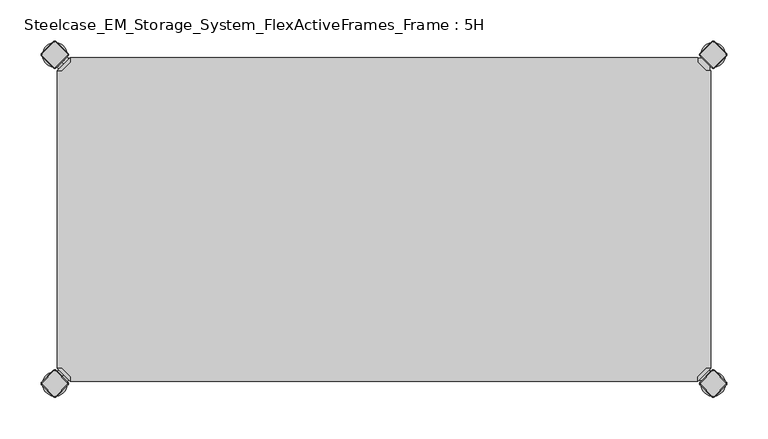
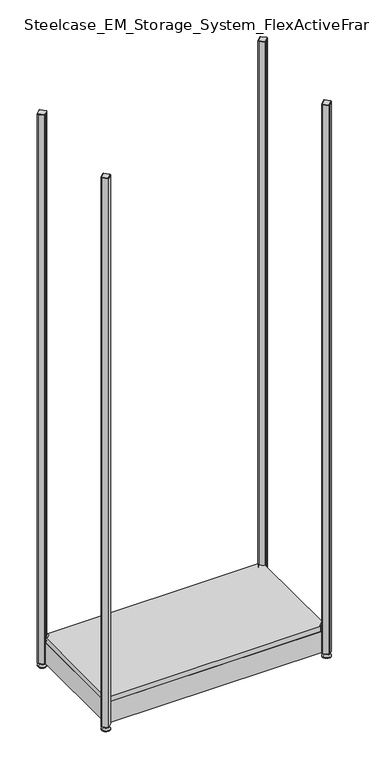
"""IFC4 building model written with IfcOpenShell, lengths in millimetres: furniture geometry, Steelcase_EM_Storage_System_FlexActiveFrames_Frame : 5H."""

from ifc_helpers import new_model, si_unit, point, frame, frame_2d, origin, place, context, project, spatial, polyline, circle_curve, trimmed, segment, composite_curve, outline, extrude, source, transform, mapped, element, save
from ifc_brep_helpers import plane_surface, cylinder_surface, revolved_surface, advanced_brep


def steelcase_em_storage_system_flexactiveframes_frame_5h_e9ac0f67(model_context):
    return source(origin(), model_context, "Body", "SolidModel", [
        advanced_brep(
        [(781.0796898, -397.0, 117.0), (797.0, -381.0796898, 117.0), (791.3431458, -381.0796898, 117.0), (781.0796898, -391.3431458, 117.0), (781.0796898, -397.0, 98.0), (781.0796898, -397.0, 97.0), (797.0, -381.0796898, 97.0), (797.0, -381.0796898, 98.0), (791.3431458, -381.0796898, 98.0), (781.0796898, -391.3431458, 98.0), (768.1906025, -352.2702923, 98.0), (752.2702923, -368.1906025, 98.0), (752.2702923, -368.1906025, 97.0), (768.1906025, -352.2702923, 97.0)],
        [
            (0, 1),
            (1, 2),
            (2, 3),
            (3, 0),
            (0, 4),
            (4, 5),
            (5, 6),
            (6, 7),
            (7, 1),
            (2, 8),
            (8, 9),
            (9, 3),
            (9, 4),
            (7, 8),
            (7, 10),
            (10, 11, circle_curve(frame((760.2304474, -360.2304474, 98.0), z_axis=(0.0, 0.0, 1.0), x_axis=(-1.0, 0.0, 0.0)), 11.2573593)),
            (11, 4),
            (5, 12),
            (12, 13, circle_curve(frame((760.2304474, -360.2304474, 97.0), z_axis=(0.0, 0.0, -1.0), x_axis=(-1.0, 0.0, 0.0)), 11.2573593)),
            (13, 6),
            (13, 10),
            (12, 11),
        ],
        [
            plane_surface(frame((838.8756299, -339.2040599, 117.0), z_axis=(0.0, 0.0, 1.0000000000000002), x_axis=(0.7071067811865511, 0.707106781186544, 0.0))),
            plane_surface(frame((781.0796898, -397.0, 117.0), z_axis=(0.707106781186544, -0.7071067811865511, 0.0), x_axis=(0.0, 0.0, -1.0))),
            plane_surface(frame((791.3431458, -381.0796898, 117.0), z_axis=(-0.7071067811865527, 0.7071067811865424, 0.0), x_axis=(0.0, 0.0, -1.0))),
            plane_surface(frame((781.0796898, -391.3431458, 117.0), z_axis=(-1.0, 0.0, 0.0), x_axis=(0.0, 0.0, -1.0))),
            plane_surface(frame((797.0, -381.0796898, 117.0), z_axis=(0.0, 1.0, 0.0), x_axis=(0.0, 0.0, -1.0))),
            plane_surface(frame((797.0, -381.0796898, 98.0), z_axis=(0.0, 0.0, 1.0), x_axis=(0.7071067811865439, 0.7071067811865511, 0.0))),
            plane_surface(frame((797.0, -381.0796898, 97.0), z_axis=(0.0, 0.0, -1.0), x_axis=(-0.7071067811865439, -0.7071067811865511, 0.0))),
            plane_surface(frame((797.0, -381.0796898, 98.0), z_axis=(0.7071067811865446, 0.7071067811865506, 0.0), x_axis=(0.0, 0.0, -1.0))),
            cylinder_surface(frame((760.2304474, -360.2304474, 97.0), z_axis=(0.0, 0.0, 1.0), x_axis=(-1.0, 0.0, 0.0)), 11.2573593),
            plane_surface(frame((752.2702923, -368.1906025, 98.0), z_axis=(-0.7071067811865435, -0.7071067811865517, 0.0), x_axis=(0.0, 0.0, -1.0))),
        ],
        [
            (0, [[1, 2, 3, 4]]),
            (1, [[-1, 5, 6, 7, 8, 9]]),
            (2, [[-3, 10, 11, 12]]),
            (3, [[-4, -12, 13, -5]]),
            (4, [[-2, -9, 14, -10]]),
            (5, [[15, 16, 17, -13, -11, -14]]),
            (6, [[18, 19, 20, -7]]),
            (7, [[-15, -8, -20, 21]]),
            (8, [[-16, -21, -19, 22]]),
            (9, [[-17, -22, -18, -6]]),
        ],
    ),
        advanced_brep(
        [(10.9601551, -389.0398449, 98.5), (10.9601551, -389.0398449, 107.0), (10.9601551, -389.0398449, 115.5), (8.8388348, -391.1611652, 98.5), (8.8388348, -391.1611652, 115.5), (8.8388348, -391.1611652, 107.0)],
        [
            (0, 1),
            (1, 2),
            (2, 0, circle_curve(frame((10.9601551, -389.0398449, 107.0), z_axis=(0.7071067811865509, 0.7071067811865441, 0.0), x_axis=(0.0, 0.0, 1.0)), 8.5)),
            (0, 2, circle_curve(frame((10.9601551, -389.0398449, 107.0), z_axis=(0.7071067811865509, 0.7071067811865441, 0.0), x_axis=(0.0, 0.0, 1.0)), 8.5)),
            (3, 0),
            (2, 4),
            (4, 3, circle_curve(frame((8.8388348, -391.1611652, 107.0), z_axis=(0.7071067811865509, 0.7071067811865441, 0.0), x_axis=(0.0, 0.0, 1.0)), 8.5)),
            (3, 4, circle_curve(frame((8.8388348, -391.1611652, 107.0), z_axis=(0.7071067811865509, 0.7071067811865441, 0.0), x_axis=(0.0, 0.0, 1.0)), 8.5)),
            (5, 3),
            (4, 5),
        ],
        [
            plane_surface(frame((10.9601551, -389.0398449, 107.0), z_axis=(0.7071067811865506, 0.7071067811865446, 0.0), x_axis=(0.0, 0.0, 1.0))),
            cylinder_surface(frame((8.8388348, -391.1611652, 107.0), z_axis=(-0.7071067811865509, -0.7071067811865441, 0.0), x_axis=(0.0, 0.0, 1.0)), 8.5),
            plane_surface(frame((8.8388348, -391.1611652, 107.0), z_axis=(-0.7071067811865506, -0.7071067811865446, 0.0), x_axis=(0.0, 0.0, 1.0))),
        ],
        [
            (0, [[1, 2, 3]]),
            (0, [[-2, -1, 4]]),
            (1, [[5, -3, 6, 7]]),
            (1, [[-6, -4, -5, 8]]),
            (2, [[9, -7, 10]]),
            (2, [[-10, -8, -9]]),
        ],
    ),
        advanced_brep(
        [(18.9203102, -397.0, 117.0), (18.9203102, -391.3431458, 117.0), (8.6568542, -381.0796898, 117.0), (3.0, -381.0796898, 117.0), (3.0, -381.0796898, 98.0), (3.0, -381.0796898, 97.0), (18.9203102, -397.0, 97.0), (18.9203102, -397.0, 98.0), (18.9203102, -391.3431458, 98.0), (8.6568542, -381.0796898, 98.0), (47.7297077, -368.1906025, 98.0), (31.8093975, -352.2702923, 98.0), (31.8093975, -352.2702923, 97.0), (47.7297077, -368.1906025, 97.0)],
        [
            (0, 1),
            (1, 2),
            (2, 3),
            (3, 0),
            (3, 4),
            (4, 5),
            (5, 6),
            (6, 7),
            (7, 0),
            (1, 8),
            (8, 9),
            (9, 2),
            (7, 8),
            (9, 4),
            (7, 10),
            (10, 11, circle_curve(frame((39.7695526, -360.2304474, 98.0), z_axis=(0.0, 0.0, 1.0), x_axis=(1.0, 0.0, 0.0)), 11.2573593)),
            (11, 4),
            (5, 12),
            (12, 13, circle_curve(frame((39.7695526, -360.2304474, 97.0), z_axis=(0.0, 0.0, -1.0), x_axis=(1.0, 0.0, 0.0)), 11.2573593)),
            (13, 6),
            (11, 12),
            (10, 13),
        ],
        [
            plane_surface(frame((-38.8756299, -339.2040599, 117.0), z_axis=(0.0, 0.0, 1.0000000000000002), x_axis=(-0.7071067811865511, 0.707106781186544, 0.0))),
            plane_surface(frame((18.9203102, -397.0, 117.0), z_axis=(-0.707106781186544, -0.7071067811865511, 0.0), x_axis=(0.0, 0.0, -1.0))),
            plane_surface(frame((8.6568542, -381.0796898, 117.0), z_axis=(0.7071067811865527, 0.7071067811865424, 0.0), x_axis=(0.0, 0.0, -1.0))),
            plane_surface(frame((18.9203102, -391.3431458, 117.0), z_axis=(1.0, 0.0, 0.0), x_axis=(0.0, 0.0, -1.0))),
            plane_surface(frame((3.0, -381.0796898, 117.0), z_axis=(0.0, 1.0, 0.0), x_axis=(0.0, 0.0, -1.0))),
            plane_surface(frame((3.0, -381.0796898, 98.0), z_axis=(0.0, 0.0, 1.0), x_axis=(-0.7071067811865439, 0.7071067811865511, 0.0))),
            plane_surface(frame((3.0, -381.0796898, 97.0), z_axis=(0.0, 0.0, -1.0), x_axis=(0.7071067811865439, -0.7071067811865511, 0.0))),
            plane_surface(frame((3.0, -381.0796898, 98.0), z_axis=(-0.7071067811865446, 0.7071067811865506, 0.0), x_axis=(0.0, 0.0, -1.0))),
            cylinder_surface(frame((39.7695526, -360.2304474, 97.0), z_axis=(0.0, 0.0, 1.0), x_axis=(1.0, 0.0, 0.0)), 11.2573593),
            plane_surface(frame((47.7297077, -368.1906025, 98.0), z_axis=(0.7071067811865435, -0.7071067811865517, 0.0), x_axis=(0.0, 0.0, -1.0))),
        ],
        [
            (0, [[1, 2, 3, 4]]),
            (1, [[5, 6, 7, 8, 9, -4]]),
            (2, [[10, 11, 12, -2]]),
            (3, [[-9, 13, -10, -1]]),
            (4, [[-12, 14, -5, -3]]),
            (5, [[-14, -11, -13, 15, 16, 17]]),
            (6, [[-7, 18, 19, 20]]),
            (7, [[21, -18, -6, -17]]),
            (8, [[22, -19, -21, -16]]),
            (9, [[-8, -20, -22, -15]]),
        ],
    ),
        advanced_brep(
        [(10.9601551, -10.9601551, 98.5), (10.9601551, -10.9601551, 115.5), (10.9601551, -10.9601551, 107.0), (8.8388348, -8.8388348, 98.5), (8.8388348, -8.8388348, 115.5), (8.8388348, -8.8388348, 107.0)],
        [
            (0, 1, circle_curve(frame((10.9601551, -10.9601551, 107.0), z_axis=(0.7071067811865464, -0.7071067811865487, 0.0), x_axis=(0.0, 0.0, 1.0)), 8.5)),
            (1, 2),
            (2, 0),
            (1, 0, circle_curve(frame((10.9601551, -10.9601551, 107.0), z_axis=(0.7071067811865464, -0.7071067811865487, 0.0), x_axis=(0.0, 0.0, 1.0)), 8.5)),
            (3, 4, circle_curve(frame((8.8388348, -8.8388348, 107.0), z_axis=(0.7071067811865464, -0.7071067811865487, 0.0), x_axis=(0.0, 0.0, 1.0)), 8.5)),
            (4, 1),
            (0, 3),
            (4, 3, circle_curve(frame((8.8388348, -8.8388348, 107.0), z_axis=(0.7071067811865464, -0.7071067811865487, 0.0), x_axis=(0.0, 0.0, 1.0)), 8.5)),
            (5, 4),
            (3, 5),
        ],
        [
            plane_surface(frame((10.9601551, -10.9601551, 107.0), z_axis=(0.707106781186546, -0.7071067811865491, 0.0), x_axis=(0.0, 0.0, 1.0))),
            cylinder_surface(frame((8.8388348, -8.8388348, 107.0), z_axis=(-0.7071067811865464, 0.7071067811865487, 0.0), x_axis=(0.0, 0.0, 1.0)), 8.5),
            plane_surface(frame((8.8388348, -8.8388348, 107.0), z_axis=(-0.707106781186546, 0.7071067811865491, 0.0), x_axis=(0.0, 0.0, 1.0))),
        ],
        [
            (0, [[1, 2, 3]]),
            (0, [[4, -3, -2]]),
            (1, [[5, 6, -1, 7]]),
            (1, [[8, -7, -4, -6]]),
            (2, [[9, -5, 10]]),
            (2, [[-10, -8, -9]]),
        ],
    ),
        advanced_brep(
        [(18.9203102, -3.0, 117.0), (3.0, -18.9203102, 117.0), (8.6568542, -18.9203102, 117.0), (18.9203102, -8.6568542, 117.0), (18.9203102, -3.0, 98.0), (18.9203102, -3.0, 97.0), (3.0, -18.9203102, 97.0), (3.0, -18.9203102, 98.0), (8.6568542, -18.9203102, 98.0), (18.9203102, -8.6568542, 98.0), (31.8093975, -47.7297077, 98.0), (47.7297077, -31.8093975, 98.0), (47.7297077, -31.8093975, 97.0), (31.8093975, -47.7297077, 97.0)],
        [
            (0, 1),
            (1, 2),
            (2, 3),
            (3, 0),
            (0, 4),
            (4, 5),
            (5, 6),
            (6, 7),
            (7, 1),
            (2, 8),
            (8, 9),
            (9, 3),
            (9, 4),
            (7, 8),
            (7, 10),
            (10, 11, circle_curve(frame((39.7695526, -39.7695526, 98.0), z_axis=(0.0, 0.0, 1.0), x_axis=(1.0, 0.0, 0.0)), 11.2573593)),
            (11, 4),
            (5, 12),
            (12, 13, circle_curve(frame((39.7695526, -39.7695526, 97.0), z_axis=(0.0, 0.0, -1.0), x_axis=(1.0, 0.0, 0.0)), 11.2573593)),
            (13, 6),
            (13, 10),
            (12, 11),
        ],
        [
            plane_surface(frame((-38.8756299, -60.7959401, 117.0), z_axis=(0.0, 0.0, 1.0000000000000002), x_axis=(-0.7071067811865557, -0.7071067811865395, 0.0))),
            plane_surface(frame((18.9203102, -3.0, 117.0), z_axis=(-0.7071067811865395, 0.7071067811865557, 0.0), x_axis=(0.0, 0.0, -1.0))),
            plane_surface(frame((8.6568542, -18.9203102, 117.0), z_axis=(0.7071067811865481, -0.7071067811865469, 0.0), x_axis=(0.0, 0.0, -1.0))),
            plane_surface(frame((18.9203102, -8.6568542, 117.0), z_axis=(1.0, 0.0, 0.0), x_axis=(0.0, 0.0, -1.0))),
            plane_surface(frame((3.0, -18.9203102, 117.0), z_axis=(0.0, -1.0, 0.0), x_axis=(0.0, 0.0, -1.0))),
            plane_surface(frame((3.0, -18.9203102, 98.0), z_axis=(0.0, 0.0, 1.0), x_axis=(-0.7071067811865485, -0.7071067811865466, 0.0))),
            plane_surface(frame((3.0, -18.9203102, 97.0), z_axis=(0.0, 0.0, -1.0), x_axis=(0.7071067811865485, 0.7071067811865466, 0.0))),
            plane_surface(frame((3.0, -18.9203102, 98.0), z_axis=(-0.7071067811865491, -0.707106781186546, 0.0), x_axis=(0.0, 0.0, -1.0))),
            cylinder_surface(frame((39.7695526, -39.7695526, 97.0), z_axis=(0.0, 0.0, 1.0), x_axis=(1.0, 0.0, 0.0)), 11.2573593),
            plane_surface(frame((47.7297077, -31.8093975, 98.0), z_axis=(0.707106781186548, 0.7071067811865471, 0.0), x_axis=(0.0, 0.0, -1.0))),
        ],
        [
            (0, [[1, 2, 3, 4]]),
            (1, [[-1, 5, 6, 7, 8, 9]]),
            (2, [[-3, 10, 11, 12]]),
            (3, [[-4, -12, 13, -5]]),
            (4, [[-2, -9, 14, -10]]),
            (5, [[15, 16, 17, -13, -11, -14]]),
            (6, [[18, 19, 20, -7]]),
            (7, [[-15, -8, -20, 21]]),
            (8, [[-16, -21, -19, 22]]),
            (9, [[-17, -22, -18, -6]]),
        ],
    ),
        extrude(outline(polyline([(781.0796898, -3.0), (781.0796898, -8.6568542), (791.3431458, -18.9203102), (797.0, -18.9203102), (797.0, -381.0796898), (791.3431458, -381.0796898), (781.0796898, -391.3431458), (781.0796898, -397.0), (18.9203102, -397.0), (18.9203102, -391.3431458), (8.6568542, -381.0796898), (3.0, -381.0796898), (3.0, -18.9203102), (8.6568542, -18.9203102), (18.9203102, -8.6568542), (18.9203102, -3.0), (781.0796898, -3.0)])), frame((0.0, 0.0, 98.0), z_axis=(0.0, 0.0, 1.0), x_axis=(1.0, 0.0, 0.0)), (0.0, 0.0, 1.0), 19.0),
        advanced_brep(
        [(785.0, -400.0, 0.0), (815.0, -400.0, 0.0), (800.0, -400.0, 0.0), (785.0, -400.0, 2.0), (815.0, -400.0, 2.0), (792.0, -400.0, 9.0), (808.0, -400.0, 9.0), (796.0, -400.0, 9.0), (804.0, -400.0, 9.0), (796.0, -400.0, 15.0), (804.0, -400.0, 15.0), (800.0, -400.0, 15.0)],
        [
            (0, 1, circle_curve(frame((800.0, -400.0, 0.0), z_axis=(0.0, 0.0, -1.0), x_axis=(1.0, 0.0, 0.0)), 15.0)),
            (1, 2),
            (2, 0),
            (1, 0, circle_curve(frame((800.0, -400.0, 0.0), z_axis=(0.0, 0.0, -1.0), x_axis=(1.0, 0.0, 0.0)), 15.0)),
            (3, 4, circle_curve(frame((800.0, -400.0, 2.0), z_axis=(0.0, 0.0, -1.0), x_axis=(1.0, 0.0, 0.0)), 15.0)),
            (4, 1),
            (0, 3),
            (4, 3, circle_curve(frame((800.0, -400.0, 2.0), z_axis=(0.0, 0.0, -1.0), x_axis=(1.0, 0.0, 0.0)), 15.0)),
            (5, 6, circle_curve(frame((800.0, -400.0, 9.0), z_axis=(0.0, 0.0, -1.0), x_axis=(1.0, 0.0, 0.0)), 8.0)),
            (6, 4),
            (3, 5),
            (6, 5, circle_curve(frame((800.0, -400.0, 9.0), z_axis=(0.0, 0.0, -1.0), x_axis=(1.0, 0.0, 0.0)), 8.0)),
            (7, 8, circle_curve(frame((800.0, -400.0, 9.0), z_axis=(0.0, 0.0, -1.0), x_axis=(1.0, 0.0, 0.0)), 4.0)),
            (8, 6),
            (5, 7),
            (8, 7, circle_curve(frame((800.0, -400.0, 9.0), z_axis=(0.0, 0.0, -1.0), x_axis=(1.0, 0.0, 0.0)), 4.0)),
            (9, 10, circle_curve(frame((800.0, -400.0, 15.0), z_axis=(0.0, 0.0, -1.0), x_axis=(1.0, 0.0, 0.0)), 4.0)),
            (10, 8),
            (7, 9),
            (10, 9, circle_curve(frame((800.0, -400.0, 15.0), z_axis=(0.0, 0.0, -1.0), x_axis=(1.0, 0.0, 0.0)), 4.0)),
            (11, 10),
            (9, 11),
        ],
        [
            plane_surface(frame((800.0, -400.0, 0.0), z_axis=(0.0, 0.0, -1.0), x_axis=(1.0, 0.0, 0.0))),
            cylinder_surface(frame((800.0, -400.0, 18.6083303), z_axis=(0.0, 0.0, 1.0), x_axis=(1.0, 0.0, 0.0)), 15.0),
            revolved_surface(polyline([(815.0, -400.0, 2.0), (808.0, -400.0, 9.0)]), (800.0, -400.0, 18.6083303), (0.0, 0.0, 1.0)),
            plane_surface(frame((800.0, -400.0, 9.0), z_axis=(0.0, 0.0, 1.0), x_axis=(1.0, 0.0, 0.0))),
            cylinder_surface(frame((800.0, -400.0, 18.6083303), z_axis=(0.0, 0.0, 1.0), x_axis=(1.0, 0.0, 0.0)), 4.0),
            plane_surface(frame((800.0, -400.0, 15.0), z_axis=(0.0, 0.0, 1.0), x_axis=(1.0, 0.0, 0.0))),
        ],
        [
            (0, [[1, 2, 3]]),
            (0, [[4, -3, -2]]),
            (1, [[5, 6, -1, 7]]),
            (1, [[8, -7, -4, -6]]),
            (2, [[9, 10, -5, 11]]),
            (2, [[12, -11, -8, -10]]),
            (3, [[13, 14, -9, 15]]),
            (3, [[16, -15, -12, -14]]),
            (4, [[17, 18, -13, 19]]),
            (4, [[20, -19, -16, -18]]),
            (5, [[21, -17, 22]]),
            (5, [[-22, -20, -21]]),
        ],
    ),
        advanced_brep(
        [(798.7979185, -384.6557828, 2117.0), (784.6557828, -398.7979185, 2117.0), (784.6557828, -401.2020815, 2117.0), (798.7979185, -415.3442172, 2117.0), (801.2020815, -415.3442172, 2117.0), (815.3442172, -401.2020815, 2117.0), (815.3442172, -398.7979185, 2117.0), (801.2020815, -384.6557828, 2117.0), (798.232233, -384.0900974, 2115.0), (801.767767, -384.0900974, 2115.0), (815.9099026, -398.232233, 2115.0), (815.9099026, -401.767767, 2115.0), (801.767767, -415.9099026, 2115.0), (798.232233, -415.9099026, 2115.0), (784.0900974, -401.767767, 2115.0), (784.0900974, -398.232233, 2115.0)],
        [
            (0, 1),
            (1, 2, circle_curve(frame((785.8578644, -400.0, 2117.0), z_axis=(0.0, 0.0, 1.0), x_axis=(-0.7071067811865537, 0.7071067811865414, 0.0)), 1.7)),
            (2, 3),
            (3, 4, circle_curve(frame((800.0, -414.1421356, 2117.0), z_axis=(0.0, 0.0, 1.0), x_axis=(-0.7071067811865491, -0.707106781186546, 0.0)), 1.7)),
            (4, 5),
            (5, 6, circle_curve(frame((814.1421356, -400.0, 2117.0), z_axis=(0.0, 0.0, 1.0), x_axis=(0.707106781186539, -0.7071067811865559, 0.0)), 1.7)),
            (6, 7),
            (7, 0, circle_curve(frame((800.0, -385.8578644, 2117.0), z_axis=(0.0, 0.0, 1.0), x_axis=(0.7071067811865458, 0.7071067811865492, 0.0)), 1.7)),
            (8, 9, circle_curve(frame((800.0, -385.8578644, 2115.0), z_axis=(0.0, 0.0, -1.0), x_axis=(0.7071067811865458, 0.7071067811865492, 0.0)), 2.5)),
            (9, 10),
            (10, 11, circle_curve(frame((814.1421356, -400.0, 2115.0), z_axis=(0.0, 0.0, -1.0), x_axis=(0.707106781186539, -0.7071067811865559, 0.0)), 2.5)),
            (11, 12),
            (12, 13, circle_curve(frame((800.0, -414.1421356, 2115.0), z_axis=(0.0, 0.0, -1.0), x_axis=(-0.7071067811865491, -0.707106781186546, 0.0)), 2.5)),
            (13, 14),
            (14, 15, circle_curve(frame((785.8578644, -400.0, 2115.0), z_axis=(0.0, 0.0, -1.0), x_axis=(-0.7071067811865537, 0.7071067811865414, 0.0)), 2.5)),
            (15, 8),
            (15, 1),
            (0, 8),
            (14, 2),
            (13, 3),
            (12, 4),
            (11, 5),
            (10, 6),
            (9, 7),
        ],
        [
            plane_surface(frame((800.0, -400.0, 2117.0), z_axis=(0.0, 0.0, 1.0), x_axis=(-0.7071067811865486, 0.7071067811865466, 0.0))),
            plane_surface(frame((800.0, -400.0, 2115.0), z_axis=(0.0, 0.0, -1.0), x_axis=(-0.7071067811865486, 0.7071067811865466, 0.0))),
            plane_surface(frame((791.1611652, -391.1611652, 2115.0), z_axis=(-0.6565321642986406, 0.656532164298628, 0.3713906763540281), x_axis=(-0.7071067811865408, -0.7071067811865543, 0.0))),
            revolved_surface(polyline([(784.65578284, -398.79791844, 2117.0), (784.0900974, -398.232233, 2115.0)]), (785.8578644, -400.0, 2121.25), (0.0, 0.0, -1.0)),
            plane_surface(frame((791.1611652, -408.8388348, 2115.0), z_axis=(-0.6565321642986325, -0.6565321642986414, 0.3713906763540188), x_axis=(0.7071067811865523, -0.7071067811865428, 0.0))),
            revolved_surface(polyline([(798.79791844, -415.34421716, 2117.0), (798.232233, -415.9099026, 2115.0)]), (800.0, -414.1421356, 2121.25), (0.0, 0.0, -1.0)),
            plane_surface(frame((808.8388348, -408.8388348, 2115.0), z_axis=(0.6565321642986457, -0.6565321642986508, 0.3713906763539787), x_axis=(0.7071067811865541, 0.707106781186541, 0.0))),
            revolved_surface(polyline([(815.34421716, -401.20208156, 2117.0), (815.9099026, -401.767767, 2115.0)]), (814.1421356, -400.0, 2121.25), (0.0, 0.0, -1.0)),
            plane_surface(frame((808.8388348, -391.1611652, 2115.0), z_axis=(0.656532164298657, 0.6565321642986371, 0.37139067635398293), x_axis=(-0.7071067811865407, 0.7071067811865545, 0.0))),
            revolved_surface(polyline([(801.20208156, -384.65578284, 2117.0), (801.767767, -384.0900974, 2115.0)]), (800.0, -385.8578644, 2121.25), (0.0, 0.0, -1.0)),
        ],
        [
            (0, [[1, 2, 3, 4, 5, 6, 7, 8]]),
            (1, [[9, 10, 11, 12, 13, 14, 15, 16]]),
            (2, [[-16, 17, -1, 18]]),
            (3, [[-15, 19, -2, -17]]),
            (4, [[-14, 20, -3, -19]]),
            (5, [[-13, 21, -4, -20]]),
            (6, [[-12, 22, -5, -21]]),
            (7, [[-11, 23, -6, -22]]),
            (8, [[-10, 24, -7, -23]]),
            (9, [[-9, -18, -8, -24]]),
        ],
    ),
        extrude(outline(composite_curve([segment(trimmed(circle_curve(frame_2d((814.1421356, -400.0)), 2.5), [point((815.9099026, -398.232233))], [point((815.9099026, -401.767767))], False, "CARTESIAN"), True, "CONTINUOUS"), segment(polyline([(815.9099026, -401.767767), (801.767767, -415.9099026)]), True, "CONTINUOUS"), segment(trimmed(circle_curve(frame_2d((800.0, -414.1421356)), 2.5), [point((801.767767, -415.9099026))], [point((798.232233, -415.9099026))], False, "CARTESIAN"), True, "CONTINUOUS"), segment(polyline([(798.232233, -415.9099026), (784.0900974, -401.767767)]), True, "CONTINUOUS"), segment(trimmed(circle_curve(frame_2d((785.8578644, -400.0)), 2.5), [point((784.0900974, -401.767767))], [point((784.0900974, -398.232233))], False, "CARTESIAN"), True, "CONTINUOUS"), segment(polyline([(784.0900974, -398.232233), (798.232233, -384.0900974)]), True, "CONTINUOUS"), segment(trimmed(circle_curve(frame_2d((800.0, -385.8578644)), 2.5), [point((798.232233, -384.0900974))], [point((801.767767, -384.0900974))], False, "CARTESIAN"), True, "CONTINUOUS"), segment(polyline([(801.767767, -384.0900974), (815.9099026, -398.232233)]), True, "CONTINUOUS")], self_intersect=False)), frame((0.0, 0.0, 15.0), z_axis=(0.0, 0.0, 1.0), x_axis=(1.0, 0.0, 0.0)), (0.0, 0.0, 1.0), 2100.0),
        advanced_brep(
        [(785.0, 0.0, 0.0), (815.0, 0.0, 0.0), (800.0, 0.0, 0.0), (785.0, 0.0, 2.0), (815.0, 0.0, 2.0), (792.0, 0.0, 9.0), (808.0, 0.0, 9.0), (796.0, 0.0, 9.0), (804.0, 0.0, 9.0), (796.0, 0.0, 15.0), (804.0, 0.0, 15.0), (800.0, 0.0, 15.0)],
        [
            (0, 1, circle_curve(frame((800.0, 0.0, 0.0), z_axis=(0.0, 0.0, -1.0), x_axis=(1.0, 0.0, 0.0)), 15.0)),
            (1, 2),
            (2, 0),
            (1, 0, circle_curve(frame((800.0, 0.0, 0.0), z_axis=(0.0, 0.0, -1.0), x_axis=(1.0, 0.0, 0.0)), 15.0)),
            (3, 4, circle_curve(frame((800.0, 0.0, 2.0), z_axis=(0.0, 0.0, -1.0), x_axis=(1.0, 0.0, 0.0)), 15.0)),
            (4, 1),
            (0, 3),
            (4, 3, circle_curve(frame((800.0, 0.0, 2.0), z_axis=(0.0, 0.0, -1.0), x_axis=(1.0, 0.0, 0.0)), 15.0)),
            (5, 6, circle_curve(frame((800.0, 0.0, 9.0), z_axis=(0.0, 0.0, -1.0), x_axis=(1.0, 0.0, 0.0)), 8.0)),
            (6, 4),
            (3, 5),
            (6, 5, circle_curve(frame((800.0, 0.0, 9.0), z_axis=(0.0, 0.0, -1.0), x_axis=(1.0, 0.0, 0.0)), 8.0)),
            (7, 8, circle_curve(frame((800.0, 0.0, 9.0), z_axis=(0.0, 0.0, -1.0), x_axis=(1.0, 0.0, 0.0)), 4.0)),
            (8, 6),
            (5, 7),
            (8, 7, circle_curve(frame((800.0, 0.0, 9.0), z_axis=(0.0, 0.0, -1.0), x_axis=(1.0, 0.0, 0.0)), 4.0)),
            (9, 10, circle_curve(frame((800.0, 0.0, 15.0), z_axis=(0.0, 0.0, -1.0), x_axis=(1.0, 0.0, 0.0)), 4.0)),
            (10, 8),
            (7, 9),
            (10, 9, circle_curve(frame((800.0, 0.0, 15.0), z_axis=(0.0, 0.0, -1.0), x_axis=(1.0, 0.0, 0.0)), 4.0)),
            (11, 10),
            (9, 11),
        ],
        [
            plane_surface(frame((800.0, 0.0, 0.0), z_axis=(0.0, 0.0, -1.0), x_axis=(1.0, 0.0, 0.0))),
            cylinder_surface(frame((800.0, 0.0, 18.6083303), z_axis=(0.0, 0.0, 1.0), x_axis=(1.0, 0.0, 0.0)), 15.0),
            revolved_surface(polyline([(815.0, 0.0, 2.0), (808.0, 0.0, 9.0)]), (800.0, 0.0, 18.6083303), (0.0, 0.0, 1.0)),
            plane_surface(frame((800.0, 0.0, 9.0), z_axis=(0.0, 0.0, 1.0), x_axis=(1.0, 0.0, 0.0))),
            cylinder_surface(frame((800.0, 0.0, 18.6083303), z_axis=(0.0, 0.0, 1.0), x_axis=(1.0, 0.0, 0.0)), 4.0),
            plane_surface(frame((800.0, 0.0, 15.0), z_axis=(0.0, 0.0, 1.0), x_axis=(1.0, 0.0, 0.0))),
        ],
        [
            (0, [[1, 2, 3]]),
            (0, [[4, -3, -2]]),
            (1, [[5, 6, -1, 7]]),
            (1, [[8, -7, -4, -6]]),
            (2, [[9, 10, -5, 11]]),
            (2, [[12, -11, -8, -10]]),
            (3, [[13, 14, -9, 15]]),
            (3, [[16, -15, -12, -14]]),
            (4, [[17, 18, -13, 19]]),
            (4, [[20, -19, -16, -18]]),
            (5, [[21, -17, 22]]),
            (5, [[-22, -20, -21]]),
        ],
    ),
        advanced_brep(
        [(798.7979185, 15.3442172, 2117.0), (784.6557828, 1.2020815, 2117.0), (784.6557828, -1.2020815, 2117.0), (798.7979185, -15.3442172, 2117.0), (801.2020815, -15.3442172, 2117.0), (815.3442172, -1.2020815, 2117.0), (815.3442172, 1.2020815, 2117.0), (801.2020815, 15.3442172, 2117.0), (798.232233, 15.9099026, 2115.0), (801.767767, 15.9099026, 2115.0), (815.9099026, 1.767767, 2115.0), (815.9099026, -1.767767, 2115.0), (801.767767, -15.9099026, 2115.0), (798.232233, -15.9099026, 2115.0), (784.0900974, -1.767767, 2115.0), (784.0900974, 1.767767, 2115.0)],
        [
            (0, 1),
            (1, 2, circle_curve(frame((785.8578644, 0.0, 2117.0), z_axis=(0.0, 0.0, 1.0), x_axis=(-0.7071067811865537, 0.7071067811865414, 0.0)), 1.7)),
            (2, 3),
            (3, 4, circle_curve(frame((800.0, -14.1421356, 2117.0), z_axis=(0.0, 0.0, 1.0), x_axis=(-0.7071067811865491, -0.707106781186546, 0.0)), 1.7)),
            (4, 5),
            (5, 6, circle_curve(frame((814.1421356, 0.0, 2117.0), z_axis=(0.0, 0.0, 1.0), x_axis=(0.707106781186539, -0.7071067811865559, 0.0)), 1.7)),
            (6, 7),
            (7, 0, circle_curve(frame((800.0, 14.1421356, 2117.0), z_axis=(0.0, 0.0, 1.0), x_axis=(0.7071067811865458, 0.7071067811865492, 0.0)), 1.7)),
            (8, 9, circle_curve(frame((800.0, 14.1421356, 2115.0), z_axis=(0.0, 0.0, -1.0), x_axis=(0.7071067811865458, 0.7071067811865492, 0.0)), 2.5)),
            (9, 10),
            (10, 11, circle_curve(frame((814.1421356, 0.0, 2115.0), z_axis=(0.0, 0.0, -1.0), x_axis=(0.707106781186539, -0.7071067811865559, 0.0)), 2.5)),
            (11, 12),
            (12, 13, circle_curve(frame((800.0, -14.1421356, 2115.0), z_axis=(0.0, 0.0, -1.0), x_axis=(-0.7071067811865491, -0.707106781186546, 0.0)), 2.5)),
            (13, 14),
            (14, 15, circle_curve(frame((785.8578644, 0.0, 2115.0), z_axis=(0.0, 0.0, -1.0), x_axis=(-0.7071067811865537, 0.7071067811865414, 0.0)), 2.5)),
            (15, 8),
            (15, 1),
            (0, 8),
            (14, 2),
            (13, 3),
            (12, 4),
            (11, 5),
            (10, 6),
            (9, 7),
        ],
        [
            plane_surface(frame((800.0, 0.0, 2117.0), z_axis=(0.0, 0.0, 1.0), x_axis=(-0.7071067811865486, 0.7071067811865466, 0.0))),
            plane_surface(frame((800.0, 0.0, 2115.0), z_axis=(0.0, 0.0, -1.0), x_axis=(-0.7071067811865486, 0.7071067811865466, 0.0))),
            plane_surface(frame((791.1611652, 8.8388348, 2115.0), z_axis=(-0.6565321642986406, 0.656532164298628, 0.3713906763540281), x_axis=(-0.7071067811865408, -0.7071067811865543, 0.0))),
            revolved_surface(polyline([(784.65578284, 1.20208156, 2117.0), (784.0900974, 1.767767, 2115.0)]), (785.8578644, 0.0, 2121.25), (0.0, 0.0, -1.0)),
            plane_surface(frame((791.1611652, -8.8388348, 2115.0), z_axis=(-0.6565321642986325, -0.6565321642986414, 0.3713906763540188), x_axis=(0.7071067811865523, -0.7071067811865428, 0.0))),
            revolved_surface(polyline([(798.79791844, -15.34421716, 2117.0), (798.232233, -15.9099026, 2115.0)]), (800.0, -14.1421356, 2121.25), (0.0, 0.0, -1.0)),
            plane_surface(frame((808.8388348, -8.8388348, 2115.0), z_axis=(0.6565321642986457, -0.6565321642986508, 0.3713906763539787), x_axis=(0.7071067811865541, 0.707106781186541, 0.0))),
            revolved_surface(polyline([(815.34421716, -1.20208156, 2117.0), (815.9099026, -1.767767, 2115.0)]), (814.1421356, 0.0, 2121.25), (0.0, 0.0, -1.0)),
            plane_surface(frame((808.8388348, 8.8388348, 2115.0), z_axis=(0.656532164298657, 0.6565321642986371, 0.37139067635398293), x_axis=(-0.7071067811865407, 0.7071067811865545, 0.0))),
            revolved_surface(polyline([(801.20208156, 15.34421716, 2117.0), (801.767767, 15.9099026, 2115.0)]), (800.0, 14.1421356, 2121.25), (0.0, 0.0, -1.0)),
        ],
        [
            (0, [[1, 2, 3, 4, 5, 6, 7, 8]]),
            (1, [[9, 10, 11, 12, 13, 14, 15, 16]]),
            (2, [[-16, 17, -1, 18]]),
            (3, [[-15, 19, -2, -17]]),
            (4, [[-14, 20, -3, -19]]),
            (5, [[-13, 21, -4, -20]]),
            (6, [[-12, 22, -5, -21]]),
            (7, [[-11, 23, -6, -22]]),
            (8, [[-10, 24, -7, -23]]),
            (9, [[-9, -18, -8, -24]]),
        ],
    ),
        extrude(outline(composite_curve([segment(trimmed(circle_curve(frame_2d((814.1421356, 0.0)), 2.5), [point((815.9099026, 1.767767))], [point((815.9099026, -1.767767))], False, "CARTESIAN"), True, "CONTINUOUS"), segment(polyline([(815.9099026, -1.767767), (801.767767, -15.9099026)]), True, "CONTINUOUS"), segment(trimmed(circle_curve(frame_2d((800.0, -14.1421356)), 2.5), [point((801.767767, -15.9099026))], [point((798.232233, -15.9099026))], False, "CARTESIAN"), True, "CONTINUOUS"), segment(polyline([(798.232233, -15.9099026), (784.0900974, -1.767767)]), True, "CONTINUOUS"), segment(trimmed(circle_curve(frame_2d((785.8578644, 0.0)), 2.5), [point((784.0900974, -1.767767))], [point((784.0900974, 1.767767))], False, "CARTESIAN"), True, "CONTINUOUS"), segment(polyline([(784.0900974, 1.767767), (798.232233, 15.9099026)]), True, "CONTINUOUS"), segment(trimmed(circle_curve(frame_2d((800.0, 14.1421356)), 2.5), [point((798.232233, 15.9099026))], [point((801.767767, 15.9099026))], False, "CARTESIAN"), True, "CONTINUOUS"), segment(polyline([(801.767767, 15.9099026), (815.9099026, 1.767767)]), True, "CONTINUOUS")], self_intersect=False)), frame((0.0, 0.0, 15.0), z_axis=(0.0, 0.0, 1.0), x_axis=(1.0, 0.0, 0.0)), (0.0, 0.0, 1.0), 2100.0),
        advanced_brep(
        [(-15.0, -400.0, 0.0), (15.0, -400.0, 0.0), (0.0, -400.0, 0.0), (-15.0, -400.0, 2.0), (15.0, -400.0, 2.0), (-8.0, -400.0, 9.0), (8.0, -400.0, 9.0), (-4.0, -400.0, 9.0), (4.0, -400.0, 9.0), (-4.0, -400.0, 15.0), (4.0, -400.0, 15.0), (0.0, -400.0, 15.0)],
        [
            (0, 1, circle_curve(frame((0.0, -400.0, 0.0), z_axis=(0.0, 0.0, -1.0), x_axis=(1.0, 0.0, 0.0)), 15.0)),
            (1, 2),
            (2, 0),
            (1, 0, circle_curve(frame((0.0, -400.0, 0.0), z_axis=(0.0, 0.0, -1.0), x_axis=(1.0, 0.0, 0.0)), 15.0)),
            (3, 4, circle_curve(frame((0.0, -400.0, 2.0), z_axis=(0.0, 0.0, -1.0), x_axis=(1.0, 0.0, 0.0)), 15.0)),
            (4, 1),
            (0, 3),
            (4, 3, circle_curve(frame((0.0, -400.0, 2.0), z_axis=(0.0, 0.0, -1.0), x_axis=(1.0, 0.0, 0.0)), 15.0)),
            (5, 6, circle_curve(frame((0.0, -400.0, 9.0), z_axis=(0.0, 0.0, -1.0), x_axis=(1.0, 0.0, 0.0)), 8.0)),
            (6, 4),
            (3, 5),
            (6, 5, circle_curve(frame((0.0, -400.0, 9.0), z_axis=(0.0, 0.0, -1.0), x_axis=(1.0, 0.0, 0.0)), 8.0)),
            (7, 8, circle_curve(frame((0.0, -400.0, 9.0), z_axis=(0.0, 0.0, -1.0), x_axis=(1.0, 0.0, 0.0)), 4.0)),
            (8, 6),
            (5, 7),
            (8, 7, circle_curve(frame((0.0, -400.0, 9.0), z_axis=(0.0, 0.0, -1.0), x_axis=(1.0, 0.0, 0.0)), 4.0)),
            (9, 10, circle_curve(frame((0.0, -400.0, 15.0), z_axis=(0.0, 0.0, -1.0), x_axis=(1.0, 0.0, 0.0)), 4.0)),
            (10, 8),
            (7, 9),
            (10, 9, circle_curve(frame((0.0, -400.0, 15.0), z_axis=(0.0, 0.0, -1.0), x_axis=(1.0, 0.0, 0.0)), 4.0)),
            (11, 10),
            (9, 11),
        ],
        [
            plane_surface(frame((0.0, -400.0, 0.0), z_axis=(0.0, 0.0, -1.0), x_axis=(1.0, 0.0, 0.0))),
            cylinder_surface(frame((0.0, -400.0, 18.6083303), z_axis=(0.0, 0.0, 1.0), x_axis=(1.0, 0.0, 0.0)), 15.0),
            revolved_surface(polyline([(15.0, -400.0, 2.0), (8.0, -400.0, 9.0)]), (0.0, -400.0, 18.6083303), (0.0, 0.0, 1.0)),
            plane_surface(frame((0.0, -400.0, 9.0), z_axis=(0.0, 0.0, 1.0), x_axis=(1.0, 0.0, 0.0))),
            cylinder_surface(frame((0.0, -400.0, 18.6083303), z_axis=(0.0, 0.0, 1.0), x_axis=(1.0, 0.0, 0.0)), 4.0),
            plane_surface(frame((0.0, -400.0, 15.0), z_axis=(0.0, 0.0, 1.0), x_axis=(1.0, 0.0, 0.0))),
        ],
        [
            (0, [[1, 2, 3]]),
            (0, [[4, -3, -2]]),
            (1, [[5, 6, -1, 7]]),
            (1, [[8, -7, -4, -6]]),
            (2, [[9, 10, -5, 11]]),
            (2, [[12, -11, -8, -10]]),
            (3, [[13, 14, -9, 15]]),
            (3, [[16, -15, -12, -14]]),
            (4, [[17, 18, -13, 19]]),
            (4, [[20, -19, -16, -18]]),
            (5, [[21, -17, 22]]),
            (5, [[-22, -20, -21]]),
        ],
    ),
        advanced_brep(
        [(-1.2020815, -384.6557828, 2117.0), (-15.3442172, -398.7979185, 2117.0), (-15.3442172, -401.2020815, 2117.0), (-1.2020815, -415.3442172, 2117.0), (1.2020815, -415.3442172, 2117.0), (15.3442172, -401.2020815, 2117.0), (15.3442172, -398.7979185, 2117.0), (1.2020815, -384.6557828, 2117.0), (-1.767767, -384.0900974, 2115.0), (1.767767, -384.0900974, 2115.0), (15.9099026, -398.232233, 2115.0), (15.9099026, -401.767767, 2115.0), (1.767767, -415.9099026, 2115.0), (-1.767767, -415.9099026, 2115.0), (-15.9099026, -401.767767, 2115.0), (-15.9099026, -398.232233, 2115.0)],
        [
            (0, 1),
            (1, 2, circle_curve(frame((-14.1421356, -400.0, 2117.0), z_axis=(0.0, 0.0, 1.0), x_axis=(-0.7071067811865537, 0.7071067811865414, 0.0)), 1.7)),
            (2, 3),
            (3, 4, circle_curve(frame((0.0, -414.1421356, 2117.0), z_axis=(0.0, 0.0, 1.0), x_axis=(-0.7071067811865491, -0.707106781186546, 0.0)), 1.7)),
            (4, 5),
            (5, 6, circle_curve(frame((14.1421356, -400.0, 2117.0), z_axis=(0.0, 0.0, 1.0), x_axis=(0.707106781186539, -0.7071067811865559, 0.0)), 1.7)),
            (6, 7),
            (7, 0, circle_curve(frame((0.0, -385.8578644, 2117.0), z_axis=(0.0, 0.0, 1.0), x_axis=(0.7071067811865458, 0.7071067811865492, 0.0)), 1.7)),
            (8, 9, circle_curve(frame((0.0, -385.8578644, 2115.0), z_axis=(0.0, 0.0, -1.0), x_axis=(0.7071067811865458, 0.7071067811865492, 0.0)), 2.5)),
            (9, 10),
            (10, 11, circle_curve(frame((14.1421356, -400.0, 2115.0), z_axis=(0.0, 0.0, -1.0), x_axis=(0.707106781186539, -0.7071067811865559, 0.0)), 2.5)),
            (11, 12),
            (12, 13, circle_curve(frame((0.0, -414.1421356, 2115.0), z_axis=(0.0, 0.0, -1.0), x_axis=(-0.7071067811865491, -0.707106781186546, 0.0)), 2.5)),
            (13, 14),
            (14, 15, circle_curve(frame((-14.1421356, -400.0, 2115.0), z_axis=(0.0, 0.0, -1.0), x_axis=(-0.7071067811865537, 0.7071067811865414, 0.0)), 2.5)),
            (15, 8),
            (15, 1),
            (0, 8),
            (14, 2),
            (13, 3),
            (12, 4),
            (11, 5),
            (10, 6),
            (9, 7),
        ],
        [
            plane_surface(frame((0.0, -400.0, 2117.0), z_axis=(0.0, 0.0, 1.0), x_axis=(-0.7071067811865486, 0.7071067811865466, 0.0))),
            plane_surface(frame((0.0, -400.0, 2115.0), z_axis=(0.0, 0.0, -1.0), x_axis=(-0.7071067811865486, 0.7071067811865466, 0.0))),
            plane_surface(frame((-8.8388348, -391.1611652, 2115.0), z_axis=(-0.6565321642986406, 0.656532164298628, 0.3713906763540281), x_axis=(-0.7071067811865408, -0.7071067811865543, 0.0))),
            revolved_surface(polyline([(-15.34421716, -398.79791844, 2117.0), (-15.9099026, -398.232233, 2115.0)]), (-14.1421356, -400.0, 2121.25), (0.0, 0.0, -1.0)),
            plane_surface(frame((-8.8388348, -408.8388348, 2115.0), z_axis=(-0.6565321642986325, -0.6565321642986414, 0.3713906763540188), x_axis=(0.7071067811865523, -0.7071067811865428, 0.0))),
            revolved_surface(polyline([(-1.20208156, -415.34421716, 2117.0), (-1.767767, -415.9099026, 2115.0)]), (0.0, -414.1421356, 2121.25), (0.0, 0.0, -1.0)),
            plane_surface(frame((8.8388348, -408.8388348, 2115.0), z_axis=(0.6565321642986457, -0.6565321642986508, 0.3713906763539787), x_axis=(0.7071067811865541, 0.707106781186541, 0.0))),
            revolved_surface(polyline([(15.34421716, -401.20208156, 2117.0), (15.9099026, -401.767767, 2115.0)]), (14.1421356, -400.0, 2121.25), (0.0, 0.0, -1.0)),
            plane_surface(frame((8.8388348, -391.1611652, 2115.0), z_axis=(0.656532164298657, 0.6565321642986371, 0.37139067635398293), x_axis=(-0.7071067811865407, 0.7071067811865545, 0.0))),
            revolved_surface(polyline([(1.20208156, -384.65578284, 2117.0), (1.767767, -384.0900974, 2115.0)]), (0.0, -385.8578644, 2121.25), (0.0, 0.0, -1.0)),
        ],
        [
            (0, [[1, 2, 3, 4, 5, 6, 7, 8]]),
            (1, [[9, 10, 11, 12, 13, 14, 15, 16]]),
            (2, [[-16, 17, -1, 18]]),
            (3, [[-15, 19, -2, -17]]),
            (4, [[-14, 20, -3, -19]]),
            (5, [[-13, 21, -4, -20]]),
            (6, [[-12, 22, -5, -21]]),
            (7, [[-11, 23, -6, -22]]),
            (8, [[-10, 24, -7, -23]]),
            (9, [[-9, -18, -8, -24]]),
        ],
    ),
        extrude(outline(composite_curve([segment(trimmed(circle_curve(frame_2d((14.1421356, -400.0)), 2.5), [point((15.9099026, -398.232233))], [point((15.9099026, -401.767767))], False, "CARTESIAN"), True, "CONTINUOUS"), segment(polyline([(15.9099026, -401.767767), (1.767767, -415.9099026)]), True, "CONTINUOUS"), segment(trimmed(circle_curve(frame_2d((0.0, -414.1421356)), 2.5), [point((1.767767, -415.9099026))], [point((-1.767767, -415.9099026))], False, "CARTESIAN"), True, "CONTINUOUS"), segment(polyline([(-1.767767, -415.9099026), (-15.9099026, -401.767767)]), True, "CONTINUOUS"), segment(trimmed(circle_curve(frame_2d((-14.1421356, -400.0)), 2.5), [point((-15.9099026, -401.767767))], [point((-15.9099026, -398.232233))], False, "CARTESIAN"), True, "CONTINUOUS"), segment(polyline([(-15.9099026, -398.232233), (-1.767767, -384.0900974)]), True, "CONTINUOUS"), segment(trimmed(circle_curve(frame_2d((0.0, -385.8578644)), 2.5), [point((-1.767767, -384.0900974))], [point((1.767767, -384.0900974))], False, "CARTESIAN"), True, "CONTINUOUS"), segment(polyline([(1.767767, -384.0900974), (15.9099026, -398.232233)]), True, "CONTINUOUS")], self_intersect=False)), frame((0.0, 0.0, 15.0), z_axis=(0.0, 0.0, 1.0), x_axis=(1.0, 0.0, 0.0)), (0.0, 0.0, 1.0), 2100.0),
        advanced_brep(
        [(-15.0, 0.0, 0.0), (15.0, 0.0, 0.0), (0.0, 0.0, 0.0), (-15.0, 0.0, 2.0), (15.0, 0.0, 2.0), (-8.0, 0.0, 9.0), (8.0, 0.0, 9.0), (-4.0, 0.0, 9.0), (4.0, 0.0, 9.0), (-4.0, 0.0, 15.0), (4.0, 0.0, 15.0), (0.0, 0.0, 15.0)],
        [
            (0, 1, circle_curve(frame((0.0, 0.0, 0.0), z_axis=(0.0, 0.0, -1.0), x_axis=(1.0, 0.0, 0.0)), 15.0)),
            (1, 2),
            (2, 0),
            (1, 0, circle_curve(frame((0.0, 0.0, 0.0), z_axis=(0.0, 0.0, -1.0), x_axis=(1.0, 0.0, 0.0)), 15.0)),
            (3, 4, circle_curve(frame((0.0, 0.0, 2.0), z_axis=(0.0, 0.0, -1.0), x_axis=(1.0, 0.0, 0.0)), 15.0)),
            (4, 1),
            (0, 3),
            (4, 3, circle_curve(frame((0.0, 0.0, 2.0), z_axis=(0.0, 0.0, -1.0), x_axis=(1.0, 0.0, 0.0)), 15.0)),
            (5, 6, circle_curve(frame((0.0, 0.0, 9.0), z_axis=(0.0, 0.0, -1.0), x_axis=(1.0, 0.0, 0.0)), 8.0)),
            (6, 4),
            (3, 5),
            (6, 5, circle_curve(frame((0.0, 0.0, 9.0), z_axis=(0.0, 0.0, -1.0), x_axis=(1.0, 0.0, 0.0)), 8.0)),
            (7, 8, circle_curve(frame((0.0, 0.0, 9.0), z_axis=(0.0, 0.0, -1.0), x_axis=(1.0, 0.0, 0.0)), 4.0)),
            (8, 6),
            (5, 7),
            (8, 7, circle_curve(frame((0.0, 0.0, 9.0), z_axis=(0.0, 0.0, -1.0), x_axis=(1.0, 0.0, 0.0)), 4.0)),
            (9, 10, circle_curve(frame((0.0, 0.0, 15.0), z_axis=(0.0, 0.0, -1.0), x_axis=(1.0, 0.0, 0.0)), 4.0)),
            (10, 8),
            (7, 9),
            (10, 9, circle_curve(frame((0.0, 0.0, 15.0), z_axis=(0.0, 0.0, -1.0), x_axis=(1.0, 0.0, 0.0)), 4.0)),
            (11, 10),
            (9, 11),
        ],
        [
            plane_surface(frame((0.0, 0.0, 0.0), z_axis=(0.0, 0.0, -1.0), x_axis=(1.0, 0.0, 0.0))),
            cylinder_surface(frame((0.0, 0.0, 18.6083303), z_axis=(0.0, 0.0, 1.0), x_axis=(1.0, 0.0, 0.0)), 15.0),
            revolved_surface(polyline([(15.0, 0.0, 2.0), (8.0, 0.0, 9.0)]), (0.0, 0.0, 18.6083303), (0.0, 0.0, 1.0)),
            plane_surface(frame((0.0, 0.0, 9.0), z_axis=(0.0, 0.0, 1.0), x_axis=(1.0, 0.0, 0.0))),
            cylinder_surface(frame((0.0, 0.0, 18.6083303), z_axis=(0.0, 0.0, 1.0), x_axis=(1.0, 0.0, 0.0)), 4.0),
            plane_surface(frame((0.0, 0.0, 15.0), z_axis=(0.0, 0.0, 1.0), x_axis=(1.0, 0.0, 0.0))),
        ],
        [
            (0, [[1, 2, 3]]),
            (0, [[4, -3, -2]]),
            (1, [[5, 6, -1, 7]]),
            (1, [[8, -7, -4, -6]]),
            (2, [[9, 10, -5, 11]]),
            (2, [[12, -11, -8, -10]]),
            (3, [[13, 14, -9, 15]]),
            (3, [[16, -15, -12, -14]]),
            (4, [[17, 18, -13, 19]]),
            (4, [[20, -19, -16, -18]]),
            (5, [[21, -17, 22]]),
            (5, [[-22, -20, -21]]),
        ],
    ),
        advanced_brep(
        [(-1.2020815, 15.3442172, 2117.0), (-15.3442172, 1.2020815, 2117.0), (-15.3442172, -1.2020815, 2117.0), (-1.2020815, -15.3442172, 2117.0), (1.2020815, -15.3442172, 2117.0), (15.3442172, -1.2020815, 2117.0), (15.3442172, 1.2020815, 2117.0), (1.2020815, 15.3442172, 2117.0), (-1.767767, 15.9099026, 2115.0), (1.767767, 15.9099026, 2115.0), (15.9099026, 1.767767, 2115.0), (15.9099026, -1.767767, 2115.0), (1.767767, -15.9099026, 2115.0), (-1.767767, -15.9099026, 2115.0), (-15.9099026, -1.767767, 2115.0), (-15.9099026, 1.767767, 2115.0)],
        [
            (0, 1),
            (1, 2, circle_curve(frame((-14.1421356, 0.0, 2117.0), z_axis=(0.0, 0.0, 1.0), x_axis=(-0.7071067811865537, 0.7071067811865414, 0.0)), 1.7)),
            (2, 3),
            (3, 4, circle_curve(frame((0.0, -14.1421356, 2117.0), z_axis=(0.0, 0.0, 1.0), x_axis=(-0.7071067811865491, -0.707106781186546, 0.0)), 1.7)),
            (4, 5),
            (5, 6, circle_curve(frame((14.1421356, 0.0, 2117.0), z_axis=(0.0, 0.0, 1.0), x_axis=(0.707106781186539, -0.7071067811865559, 0.0)), 1.7)),
            (6, 7),
            (7, 0, circle_curve(frame((0.0, 14.1421356, 2117.0), z_axis=(0.0, 0.0, 1.0), x_axis=(0.7071067811865458, 0.7071067811865492, 0.0)), 1.7)),
            (8, 9, circle_curve(frame((0.0, 14.1421356, 2115.0), z_axis=(0.0, 0.0, -1.0), x_axis=(0.7071067811865458, 0.7071067811865492, 0.0)), 2.5)),
            (9, 10),
            (10, 11, circle_curve(frame((14.1421356, 0.0, 2115.0), z_axis=(0.0, 0.0, -1.0), x_axis=(0.707106781186539, -0.7071067811865559, 0.0)), 2.5)),
            (11, 12),
            (12, 13, circle_curve(frame((0.0, -14.1421356, 2115.0), z_axis=(0.0, 0.0, -1.0), x_axis=(-0.7071067811865491, -0.707106781186546, 0.0)), 2.5)),
            (13, 14),
            (14, 15, circle_curve(frame((-14.1421356, 0.0, 2115.0), z_axis=(0.0, 0.0, -1.0), x_axis=(-0.7071067811865537, 0.7071067811865414, 0.0)), 2.5)),
            (15, 8),
            (15, 1),
            (0, 8),
            (14, 2),
            (13, 3),
            (12, 4),
            (11, 5),
            (10, 6),
            (9, 7),
        ],
        [
            plane_surface(frame((0.0, 0.0, 2117.0), z_axis=(0.0, 0.0, 1.0), x_axis=(-0.7071067811865486, 0.7071067811865466, 0.0))),
            plane_surface(frame((0.0, 0.0, 2115.0), z_axis=(0.0, 0.0, -1.0), x_axis=(-0.7071067811865486, 0.7071067811865466, 0.0))),
            plane_surface(frame((-8.8388348, 8.8388348, 2115.0), z_axis=(-0.6565321642986406, 0.656532164298628, 0.3713906763540281), x_axis=(-0.7071067811865408, -0.7071067811865543, 0.0))),
            revolved_surface(polyline([(-15.34421716, 1.20208156, 2117.0), (-15.9099026, 1.767767, 2115.0)]), (-14.1421356, 0.0, 2121.25), (0.0, 0.0, -1.0)),
            plane_surface(frame((-8.8388348, -8.8388348, 2115.0), z_axis=(-0.6565321642986325, -0.6565321642986414, 0.3713906763540188), x_axis=(0.7071067811865523, -0.7071067811865428, 0.0))),
            revolved_surface(polyline([(-1.20208156, -15.34421716, 2117.0), (-1.767767, -15.9099026, 2115.0)]), (0.0, -14.1421356, 2121.25), (0.0, 0.0, -1.0)),
            plane_surface(frame((8.8388348, -8.8388348, 2115.0), z_axis=(0.6565321642986457, -0.6565321642986508, 0.3713906763539787), x_axis=(0.7071067811865541, 0.707106781186541, 0.0))),
            revolved_surface(polyline([(15.34421716, -1.20208156, 2117.0), (15.9099026, -1.767767, 2115.0)]), (14.1421356, 0.0, 2121.25), (0.0, 0.0, -1.0)),
            plane_surface(frame((8.8388348, 8.8388348, 2115.0), z_axis=(0.656532164298657, 0.6565321642986371, 0.37139067635398293), x_axis=(-0.7071067811865407, 0.7071067811865545, 0.0))),
            revolved_surface(polyline([(1.20208156, 15.34421716, 2117.0), (1.767767, 15.9099026, 2115.0)]), (0.0, 14.1421356, 2121.25), (0.0, 0.0, -1.0)),
        ],
        [
            (0, [[1, 2, 3, 4, 5, 6, 7, 8]]),
            (1, [[9, 10, 11, 12, 13, 14, 15, 16]]),
            (2, [[-16, 17, -1, 18]]),
            (3, [[-15, 19, -2, -17]]),
            (4, [[-14, 20, -3, -19]]),
            (5, [[-13, 21, -4, -20]]),
            (6, [[-12, 22, -5, -21]]),
            (7, [[-11, 23, -6, -22]]),
            (8, [[-10, 24, -7, -23]]),
            (9, [[-9, -18, -8, -24]]),
        ],
    ),
        extrude(outline(composite_curve([segment(trimmed(circle_curve(frame_2d((14.1421356, 0.0)), 2.5), [point((15.9099026, 1.767767))], [point((15.9099026, -1.767767))], False, "CARTESIAN"), True, "CONTINUOUS"), segment(polyline([(15.9099026, -1.767767), (1.767767, -15.9099026)]), True, "CONTINUOUS"), segment(trimmed(circle_curve(frame_2d((0.0, -14.1421356)), 2.5), [point((1.767767, -15.9099026))], [point((-1.767767, -15.9099026))], False, "CARTESIAN"), True, "CONTINUOUS"), segment(polyline([(-1.767767, -15.9099026), (-15.9099026, -1.767767)]), True, "CONTINUOUS"), segment(trimmed(circle_curve(frame_2d((-14.1421356, 0.0)), 2.5), [point((-15.9099026, -1.767767))], [point((-15.9099026, 1.767767))], False, "CARTESIAN"), True, "CONTINUOUS"), segment(polyline([(-15.9099026, 1.767767), (-1.767767, 15.9099026)]), True, "CONTINUOUS"), segment(trimmed(circle_curve(frame_2d((0.0, 14.1421356)), 2.5), [point((-1.767767, 15.9099026))], [point((1.767767, 15.9099026))], False, "CARTESIAN"), True, "CONTINUOUS"), segment(polyline([(1.767767, 15.9099026), (15.9099026, 1.767767)]), True, "CONTINUOUS")], self_intersect=False)), frame((0.0, 0.0, 15.0), z_axis=(0.0, 0.0, 1.0), x_axis=(1.0, 0.0, 0.0)), (0.0, 0.0, 1.0), 2100.0),
        extrude(outline(polyline([(4.0, -13.6776695), (13.6776695, -4.0), (786.3223305, -4.0), (796.0, -13.6776695), (796.0, -386.3223305), (786.3223305, -396.0), (13.6776695, -396.0), (4.0, -386.3223305), (4.0, -13.6776695)])), frame((0.0, 0.0, 16.0), z_axis=(0.0, 0.0, 1.0), x_axis=(1.0, 0.0, 0.0)), (0.0, 0.0, 1.0), 80.0),
    ])


if __name__ == "__main__":
    model = new_model("IFC4")
    model_context = context("Model", 3, world=origin())
    ifc_project = project(units=[si_unit("LENGTHUNIT", "METRE", prefix="MILLI")], contexts=[model_context])
    site = spatial("IfcSite", under=ifc_project)
    building = spatial("IfcBuilding", under=site)
    placement = place(None, origin())
    steelcase_em_storage_system_flexactiveframes_frame_5h_shape = steelcase_em_storage_system_flexactiveframes_frame_5h_e9ac0f67(model_context)
    element("IfcFurniture", 1, ObjectType="Steelcase_EM_Storage_System_FlexActiveFrames_Frame : 5H", at=placement, inside=building, context=model_context, shape_type="MappedRepresentation", body=[
        mapped(steelcase_em_storage_system_flexactiveframes_frame_5h_shape, transform((0.0, 0.0, 0.0), x_axis=(1.0, 0.0, 0.0), y_axis=(0.0, 1.0, 0.0), z_axis=(0.0, 0.0, 1.0))),
    ])
    save(model, "model.ifc")
